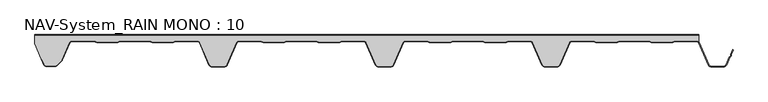
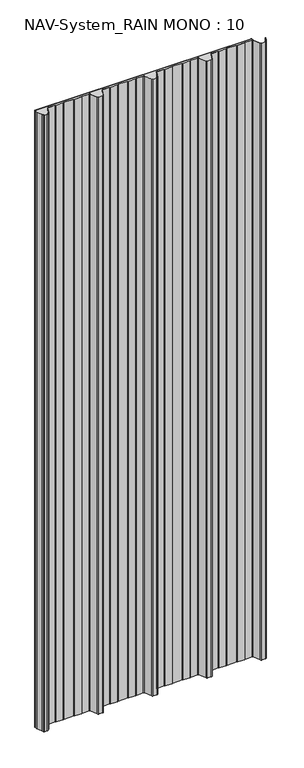
"""IFC4 building model written with IfcOpenShell, lengths in millimetres: plate geometry, NAV-System_RAIN MONO : 10."""

from ifc_helpers import new_model, si_unit, point, frame_2d, origin, origin_with_axes, place, context, project, spatial, polyline, circle_curve, trimmed, segment, composite_curve, outline, extrude, source, transform, mapped, element, save


def nav_system_rain_mono_10_762c31f2(model_context):
    return source(origin(), model_context, "Body", "SweptSolid", [
        extrude(outline(polyline([(519.0, -0.8), (-478.0, -0.8), (-478.0, 0.0), (519.0, 0.0), (519.0, -0.8)])), origin_with_axes(), (0.0, 0.0, 1.0), 3000.0),
        extrude(outline(composite_curve([segment(trimmed(circle_curve(frame_2d((515.5898022, -14.0)), 4.8), [point((519.0, -10.6220493))], [point((515.5898022, -9.2))], True, "CARTESIAN"), True, "CONTINUOUS"), segment(polyline([(515.5898022, -9.2), (483.6922468, -9.2), (479.6508228, -10.7), (448.0723788, -10.6741102), (444.1768702, -9.2), (400.3589135, -9.2), (396.3174895, -10.7), (364.7390455, -10.6741102), (360.8435369, -9.2), (328.9416341, -9.2)]), True, "CONTINUOUS"), segment(trimmed(circle_curve(frame_2d((328.9416341, -14.0)), 4.8), [point((328.9416341, -9.2))], [point((324.5314363, -12.1052295))], True, "CARTESIAN"), True, "CONTINUOUS"), segment(polyline([(324.5314363, -12.1052295), (310.330878, -45.1579242)]), True, "CONTINUOUS"), segment(trimmed(circle_curve(frame_2d((306.4719549, -43.5)), 4.2), [point((310.330878, -45.1579242))], [point((306.4719549, -47.7))], False, "CARTESIAN"), True, "CONTINUOUS"), segment(polyline([(306.4719549, -47.7), (288.0594814, -47.7)]), True, "CONTINUOUS"), segment(trimmed(circle_curve(frame_2d((288.0594814, -43.5)), 4.2), [point((288.0594814, -47.7))], [point((284.2005583, -45.1579242))], False, "CARTESIAN"), True, "CONTINUOUS"), segment(polyline([(284.2005583, -45.1579242), (270.0, -12.1052295)]), True, "CONTINUOUS"), segment(trimmed(circle_curve(frame_2d((265.5898022, -14.0)), 4.8), [point((270.0, -12.1052295))], [point((265.5898022, -9.2))], True, "CARTESIAN"), True, "CONTINUOUS"), segment(polyline([(265.5898022, -9.2), (233.6922468, -9.2), (229.6508228, -10.7), (198.0723788, -10.6741102), (194.1768702, -9.2), (150.3589135, -9.2), (146.3174895, -10.7), (114.8074622, -10.7), (110.8435369, -9.2), (78.9416341, -9.2)]), True, "CONTINUOUS"), segment(trimmed(circle_curve(frame_2d((78.9416341, -14.0)), 4.8), [point((78.9416341, -9.2))], [point((74.5314363, -12.1052295))], True, "CARTESIAN"), True, "CONTINUOUS"), segment(polyline([(74.5314363, -12.1052295), (60.330878, -45.1579242)]), True, "CONTINUOUS"), segment(trimmed(circle_curve(frame_2d((56.4719549, -43.5)), 4.2), [point((60.330878, -45.1579242))], [point((56.4719549, -47.7))], False, "CARTESIAN"), True, "CONTINUOUS"), segment(polyline([(56.4719549, -47.7), (38.0594814, -47.7)]), True, "CONTINUOUS"), segment(trimmed(circle_curve(frame_2d((38.0594814, -43.5)), 4.2), [point((38.0594814, -47.7))], [point((34.2005583, -45.1579242))], False, "CARTESIAN"), True, "CONTINUOUS"), segment(polyline([(34.2005583, -45.1579242), (20.0, -12.1052295)]), True, "CONTINUOUS"), segment(trimmed(circle_curve(frame_2d((15.5898022, -14.0)), 4.8), [point((20.0, -12.1052295))], [point((15.5898022, -9.2))], True, "CARTESIAN"), True, "CONTINUOUS"), segment(polyline([(15.5898022, -9.2), (-16.3077532, -9.2), (-20.3491772, -10.7), (-51.9276212, -10.6741102), (-55.8231298, -9.2), (-99.6410865, -9.2), (-103.6825105, -10.7), (-135.1925378, -10.7), (-139.1564631, -9.2), (-171.0583659, -9.2)]), True, "CONTINUOUS"), segment(trimmed(circle_curve(frame_2d((-171.0583659, -14.0)), 4.8), [point((-171.0583659, -9.2))], [point((-175.4685637, -12.1052295))], True, "CARTESIAN"), True, "CONTINUOUS"), segment(polyline([(-175.4685637, -12.1052295), (-189.669122, -45.1579242)]), True, "CONTINUOUS"), segment(trimmed(circle_curve(frame_2d((-193.5280451, -43.5)), 4.2), [point((-189.669122, -45.1579242))], [point((-193.5280451, -47.7))], False, "CARTESIAN"), True, "CONTINUOUS"), segment(polyline([(-193.5280451, -47.7), (-211.9405186, -47.7)]), True, "CONTINUOUS"), segment(trimmed(circle_curve(frame_2d((-211.9405186, -43.5)), 4.2), [point((-211.9405186, -47.7))], [point((-215.7994417, -45.1579242))], False, "CARTESIAN"), True, "CONTINUOUS"), segment(polyline([(-215.7994417, -45.1579242), (-230.0, -12.1052295)]), True, "CONTINUOUS"), segment(trimmed(circle_curve(frame_2d((-234.4101978, -14.0)), 4.8), [point((-230.0, -12.1052295))], [point((-234.4101978, -9.2))], True, "CARTESIAN"), True, "CONTINUOUS"), segment(polyline([(-234.4101978, -9.2), (-266.3077532, -9.2), (-270.3491772, -10.7), (-301.9276212, -10.6741102), (-305.8231298, -9.2), (-349.6410865, -9.2), (-353.6825105, -10.7), (-385.1925378, -10.7), (-389.1564631, -9.2), (-421.9290751, -9.2)]), True, "CONTINUOUS"), segment(trimmed(circle_curve(frame_2d((-421.9290751, -14.0)), 4.8), [point((-421.9290751, -9.2))], [point((-426.3392729, -12.1052295))], True, "CARTESIAN"), True, "CONTINUOUS"), segment(polyline([(-426.3392729, -12.1052295), (-437.4245651, -37.9069459)]), True, "CONTINUOUS"), segment(trimmed(circle_curve(frame_2d((-441.2834882, -36.2490217)), 4.2), [point((-437.4245651, -37.9069459))], [point((-438.3136397, -39.2188701))], False, "CARTESIAN"), True, "CONTINUOUS"), segment(polyline([(-438.3136397, -39.2188701), (-444.764618, -45.6698485)]), True, "CONTINUOUS"), segment(trimmed(circle_curve(frame_2d((-447.7344665, -42.7)), 4.2), [point((-444.764618, -45.6698485))], [point((-447.7344665, -46.9))], False, "CARTESIAN"), True, "CONTINUOUS"), segment(polyline([(-447.7344665, -46.9), (-461.1405186, -46.9)]), True, "CONTINUOUS"), segment(trimmed(circle_curve(frame_2d((-461.1405186, -43.7)), 3.2), [point((-461.1405186, -46.9))], [point((-464.1022482, -44.9116756))], False, "CARTESIAN"), True, "CONTINUOUS"), segment(polyline([(-464.1022482, -44.9116756), (-467.6292254, -36.2905951), (-468.3696578, -36.593514), (-478.0, -13.053822), (-478.0, -0.8), (519.0, -0.8), (519.0, -10.6220493)]), True, "CONTINUOUS")], self_intersect=False)), origin_with_axes(), (0.0, 0.0, 1.0), 3000.0),
        extrude(outline(composite_curve([segment(polyline([(-464.8430228, -45.2145945), (-468.37, -36.593514), (-467.6295676, -36.2905951), (-464.1025904, -44.9116756)]), True, "CONTINUOUS"), segment(trimmed(circle_curve(frame_2d((-461.1408608, -43.7)), 3.2), [point((-464.1025904, -44.9116756))], [point((-461.1408608, -46.9))], True, "CARTESIAN"), True, "CONTINUOUS"), segment(polyline([(-461.1408608, -46.9), (-447.7348087, -46.9)]), True, "CONTINUOUS"), segment(trimmed(circle_curve(frame_2d((-447.7348087, -42.7)), 4.2), [point((-447.7348087, -46.9))], [point((-444.7649603, -45.6698485))], True, "CARTESIAN"), True, "CONTINUOUS"), segment(polyline([(-444.7649603, -45.6698485), (-438.3139819, -39.2188701)]), True, "CONTINUOUS"), segment(trimmed(circle_curve(frame_2d((-441.2838304, -36.2490217)), 4.2), [point((-438.3139819, -39.2188701))], [point((-437.4249073, -37.9069459))], True, "CARTESIAN"), True, "CONTINUOUS"), segment(polyline([(-437.4249073, -37.9069459), (-426.3396151, -12.1052295)]), True, "CONTINUOUS"), segment(trimmed(circle_curve(frame_2d((-421.9294173, -14.0)), 4.8), [point((-426.3396151, -12.1052295))], [point((-421.9294173, -9.2))], False, "CARTESIAN"), True, "CONTINUOUS"), segment(polyline([(-421.9294173, -9.2), (-389.1568054, -9.2), (-385.19288, -10.7), (-353.6828527, -10.7), (-349.6414287, -9.2), (-305.8234721, -9.2), (-301.9279634, -10.6741102), (-270.3495194, -10.7), (-266.3080954, -9.2), (-234.41054, -9.2)]), True, "CONTINUOUS"), segment(trimmed(circle_curve(frame_2d((-234.41054, -14.0)), 4.8), [point((-234.41054, -9.2))], [point((-230.0003422, -12.1052295))], False, "CARTESIAN"), True, "CONTINUOUS"), segment(polyline([(-230.0003422, -12.1052295), (-215.7997839, -45.1579242)]), True, "CONTINUOUS"), segment(trimmed(circle_curve(frame_2d((-211.9408608, -43.5)), 4.2), [point((-215.7997839, -45.1579242))], [point((-211.9408608, -47.7))], True, "CARTESIAN"), True, "CONTINUOUS"), segment(polyline([(-211.9408608, -47.7), (-193.5283873, -47.7)]), True, "CONTINUOUS"), segment(trimmed(circle_curve(frame_2d((-193.5283873, -43.5)), 4.2), [point((-193.5283873, -47.7))], [point((-189.6694642, -45.1579242))], True, "CARTESIAN"), True, "CONTINUOUS"), segment(polyline([(-189.6694642, -45.1579242), (-175.4689059, -12.1052295)]), True, "CONTINUOUS"), segment(trimmed(circle_curve(frame_2d((-171.0587081, -14.0)), 4.8), [point((-175.4689059, -12.1052295))], [point((-171.0587081, -9.2))], False, "CARTESIAN"), True, "CONTINUOUS"), segment(polyline([(-171.0587081, -9.2), (-139.1568054, -9.2), (-135.2612967, -10.6741102), (-103.6828527, -10.7), (-99.6414287, -9.2), (-55.8234721, -9.2), (-51.9279634, -10.6741102), (-20.3495194, -10.7), (-16.3080954, -9.2), (15.58946, -9.2)]), True, "CONTINUOUS"), segment(trimmed(circle_curve(frame_2d((15.58946, -14.0)), 4.8), [point((15.58946, -9.2))], [point((19.9996578, -12.1052295))], False, "CARTESIAN"), True, "CONTINUOUS"), segment(polyline([(19.9996578, -12.1052295), (34.2002161, -45.1579242)]), True, "CONTINUOUS"), segment(trimmed(circle_curve(frame_2d((38.0591392, -43.5)), 4.2), [point((34.2002161, -45.1579242))], [point((38.0591392, -47.7))], True, "CARTESIAN"), True, "CONTINUOUS"), segment(polyline([(38.0591392, -47.7), (56.4716127, -47.7)]), True, "CONTINUOUS"), segment(trimmed(circle_curve(frame_2d((56.4716127, -43.5)), 4.2), [point((56.4716127, -47.7))], [point((60.3305358, -45.1579242))], True, "CARTESIAN"), True, "CONTINUOUS"), segment(polyline([(60.3305358, -45.1579242), (74.5310941, -12.1052295)]), True, "CONTINUOUS"), segment(trimmed(circle_curve(frame_2d((78.9412919, -14.0)), 4.8), [point((74.5310941, -12.1052295))], [point((78.9412919, -9.2))], False, "CARTESIAN"), True, "CONTINUOUS"), segment(polyline([(78.9412919, -9.2), (110.8431946, -9.2), (114.7387033, -10.6741102), (146.3171473, -10.7), (150.3585713, -9.2), (194.1765279, -9.2), (198.0720366, -10.6741102), (229.6504806, -10.7), (233.6919046, -9.2), (265.58946, -9.2)]), True, "CONTINUOUS"), segment(trimmed(circle_curve(frame_2d((265.58946, -14.0)), 4.8), [point((265.58946, -9.2))], [point((269.9996578, -12.1052295))], False, "CARTESIAN"), True, "CONTINUOUS"), segment(polyline([(269.9996578, -12.1052295), (284.2002161, -45.1579242)]), True, "CONTINUOUS"), segment(trimmed(circle_curve(frame_2d((288.0591392, -43.5)), 4.2), [point((284.2002161, -45.1579242))], [point((288.0591392, -47.7))], True, "CARTESIAN"), True, "CONTINUOUS"), segment(polyline([(288.0591392, -47.7), (306.4716127, -47.7)]), True, "CONTINUOUS"), segment(trimmed(circle_curve(frame_2d((306.4716127, -43.5)), 4.2), [point((306.4716127, -47.7))], [point((310.3305358, -45.1579242))], True, "CARTESIAN"), True, "CONTINUOUS"), segment(polyline([(310.3305358, -45.1579242), (324.5310941, -12.1052295)]), True, "CONTINUOUS"), segment(trimmed(circle_curve(frame_2d((328.9412919, -14.0)), 4.8), [point((324.5310941, -12.1052295))], [point((328.9412919, -9.2))], False, "CARTESIAN"), True, "CONTINUOUS"), segment(polyline([(328.9412919, -9.2), (360.8431946, -9.2), (364.7387033, -10.6741102), (396.3171473, -10.7), (400.3585713, -9.2), (444.1765279, -9.2), (448.0720366, -10.6741102), (479.6504806, -10.7), (483.6919046, -9.2), (515.58946, -9.2)]), True, "CONTINUOUS"), segment(trimmed(circle_curve(frame_2d((515.58946, -14.0)), 4.8), [point((515.58946, -9.2))], [point((519.9996578, -12.1052295))], False, "CARTESIAN"), True, "CONTINUOUS"), segment(polyline([(519.9996578, -12.1052295), (534.2002161, -45.1579242)]), True, "CONTINUOUS"), segment(trimmed(circle_curve(frame_2d((538.0591392, -43.5)), 4.2), [point((534.2002161, -45.1579242))], [point((538.0591392, -47.7))], True, "CARTESIAN"), True, "CONTINUOUS"), segment(polyline([(538.0591392, -47.7), (556.4716127, -47.7)]), True, "CONTINUOUS"), segment(trimmed(circle_curve(frame_2d((556.4716127, -43.5)), 4.2), [point((556.4716127, -47.7))], [point((560.3305358, -45.1579242))], True, "CARTESIAN"), True, "CONTINUOUS"), segment(polyline([(560.3305358, -45.1579242), (565.2356202, -33.741031), (567.1121268, -32.0654564), (567.0358547, -29.5508717), (570.0831709, -22.458051), (570.8182039, -22.7738461), (567.8408612, -29.703799), (567.9230626, -32.4138642), (565.9006789, -34.2196957), (561.0655687, -45.4737193)]), True, "CONTINUOUS"), segment(trimmed(circle_curve(frame_2d((556.4716127, -43.5)), 5.0), [point((561.0655687, -45.4737193))], [point((556.4716127, -48.5))], False, "CARTESIAN"), True, "CONTINUOUS"), segment(polyline([(556.4716127, -48.5), (538.0591392, -48.5)]), True, "CONTINUOUS"), segment(trimmed(circle_curve(frame_2d((538.0591392, -43.5)), 5.0), [point((538.0591392, -48.5))], [point((533.4651831, -45.4737193))], False, "CARTESIAN"), True, "CONTINUOUS"), segment(polyline([(533.4651831, -45.4737193), (519.2646248, -12.4210246)]), True, "CONTINUOUS"), segment(trimmed(circle_curve(frame_2d((515.58946, -14.0)), 4.0), [point((519.2646248, -12.4210246))], [point((515.58946, -10.0))], True, "CARTESIAN"), True, "CONTINUOUS"), segment(polyline([(515.58946, -10.0), (483.8338601, -10.0), (479.8699347, -11.5), (447.9941505, -11.5), (444.0302251, -10.0), (400.5005268, -10.0), (396.5366014, -11.5), (364.6608172, -11.5), (360.6968918, -10.0), (328.9412919, -10.0)]), True, "CONTINUOUS"), segment(trimmed(circle_curve(frame_2d((328.9412919, -14.0)), 4.0), [point((328.9412919, -10.0))], [point((325.2661271, -12.4210246))], True, "CARTESIAN"), True, "CONTINUOUS"), segment(polyline([(325.2661271, -12.4210246), (311.0655687, -45.4737193)]), True, "CONTINUOUS"), segment(trimmed(circle_curve(frame_2d((306.4716127, -43.5)), 5.0), [point((311.0655687, -45.4737193))], [point((306.4716127, -48.5))], False, "CARTESIAN"), True, "CONTINUOUS"), segment(polyline([(306.4716127, -48.5), (288.0591392, -48.5)]), True, "CONTINUOUS"), segment(trimmed(circle_curve(frame_2d((288.0591392, -43.5)), 5.0), [point((288.0591392, -48.5))], [point((283.4651831, -45.4737193))], False, "CARTESIAN"), True, "CONTINUOUS"), segment(polyline([(283.4651831, -45.4737193), (269.2646248, -12.4210246)]), True, "CONTINUOUS"), segment(trimmed(circle_curve(frame_2d((265.58946, -14.0)), 4.0), [point((269.2646248, -12.4210246))], [point((265.58946, -10.0))], True, "CARTESIAN"), True, "CONTINUOUS"), segment(polyline([(265.58946, -10.0), (233.8338601, -10.0), (229.8699347, -11.5), (197.9941505, -11.5), (194.0302251, -10.0), (150.5005268, -10.0), (146.5366014, -11.5), (114.6608172, -11.5), (110.6968918, -10.0), (78.9412919, -10.0)]), True, "CONTINUOUS"), segment(trimmed(circle_curve(frame_2d((78.9412919, -14.0)), 4.0), [point((78.9412919, -10.0))], [point((75.2661271, -12.4210246))], True, "CARTESIAN"), True, "CONTINUOUS"), segment(polyline([(75.2661271, -12.4210246), (61.0655687, -45.4737193)]), True, "CONTINUOUS"), segment(trimmed(circle_curve(frame_2d((56.4716127, -43.5)), 5.0), [point((61.0655687, -45.4737193))], [point((56.4716127, -48.5))], False, "CARTESIAN"), True, "CONTINUOUS"), segment(polyline([(56.4716127, -48.5), (38.0591392, -48.5)]), True, "CONTINUOUS"), segment(trimmed(circle_curve(frame_2d((38.0591392, -43.5)), 5.0), [point((38.0591392, -48.5))], [point((33.4651831, -45.4737193))], False, "CARTESIAN"), True, "CONTINUOUS"), segment(polyline([(33.4651831, -45.4737193), (19.2646248, -12.4210246)]), True, "CONTINUOUS"), segment(trimmed(circle_curve(frame_2d((15.58946, -14.0)), 4.0), [point((19.2646248, -12.4210246))], [point((15.58946, -10.0))], True, "CARTESIAN"), True, "CONTINUOUS"), segment(polyline([(15.58946, -10.0), (-16.1661399, -10.0), (-20.1300653, -11.5), (-52.0058495, -11.5), (-55.9697749, -10.0), (-99.4994732, -10.0), (-103.4633986, -11.5), (-135.3391828, -11.5), (-139.3031082, -10.0), (-171.0587081, -10.0)]), True, "CONTINUOUS"), segment(trimmed(circle_curve(frame_2d((-171.0587081, -14.0)), 4.0), [point((-171.0587081, -10.0))], [point((-174.7338729, -12.4210246))], True, "CARTESIAN"), True, "CONTINUOUS"), segment(polyline([(-174.7338729, -12.4210246), (-188.9344313, -45.4737193)]), True, "CONTINUOUS"), segment(trimmed(circle_curve(frame_2d((-193.5283873, -43.5)), 5.0), [point((-188.9344313, -45.4737193))], [point((-193.5283873, -48.5))], False, "CARTESIAN"), True, "CONTINUOUS"), segment(polyline([(-193.5283873, -48.5), (-211.9408608, -48.5)]), True, "CONTINUOUS"), segment(trimmed(circle_curve(frame_2d((-211.9408608, -43.5)), 5.0), [point((-211.9408608, -48.5))], [point((-216.5348169, -45.4737193))], False, "CARTESIAN"), True, "CONTINUOUS"), segment(polyline([(-216.5348169, -45.4737193), (-230.7353752, -12.4210246)]), True, "CONTINUOUS"), segment(trimmed(circle_curve(frame_2d((-234.41054, -14.0)), 4.0), [point((-230.7353752, -12.4210246))], [point((-234.41054, -10.0))], True, "CARTESIAN"), True, "CONTINUOUS"), segment(polyline([(-234.41054, -10.0), (-266.1661399, -10.0), (-270.1300653, -11.5), (-302.0058495, -11.5), (-305.9697749, -10.0), (-349.4994732, -10.0), (-353.4633986, -11.5), (-385.3391828, -11.5), (-389.3031082, -10.0), (-421.9294173, -10.0)]), True, "CONTINUOUS"), segment(trimmed(circle_curve(frame_2d((-421.9294173, -14.0)), 4.0), [point((-421.9294173, -10.0))], [point((-425.6045822, -12.4210246))], True, "CARTESIAN"), True, "CONTINUOUS"), segment(polyline([(-425.6045822, -12.4210246), (-436.6898744, -38.2227409)]), True, "CONTINUOUS"), segment(trimmed(circle_curve(frame_2d((-441.2838304, -36.2490217)), 5.0), [point((-436.6898744, -38.2227409))], [point((-437.7482965, -39.7845556))], False, "CARTESIAN"), True, "CONTINUOUS"), segment(polyline([(-437.7482965, -39.7845556), (-444.1992748, -46.2355339)]), True, "CONTINUOUS"), segment(trimmed(circle_curve(frame_2d((-447.7348087, -42.7)), 5.0), [point((-444.1992748, -46.2355339))], [point((-447.7348087, -47.7))], False, "CARTESIAN"), True, "CONTINUOUS"), segment(polyline([(-447.7348087, -47.7), (-461.1408608, -47.7)]), True, "CONTINUOUS"), segment(trimmed(circle_curve(frame_2d((-461.1408608, -43.7)), 4.0), [point((-461.1408608, -47.7))], [point((-464.8430228, -45.2145945))], False, "CARTESIAN"), True, "CONTINUOUS")], self_intersect=False)), origin_with_axes(), (0.0, 0.0, 1.0), 3000.0),
    ])


if __name__ == "__main__":
    model = new_model("IFC4")
    model_context = context("Model", 3, world=origin())
    ifc_project = project(units=[si_unit("LENGTHUNIT", "METRE", prefix="MILLI")], contexts=[model_context])
    site = spatial("IfcSite", under=ifc_project)
    building = spatial("IfcBuilding", under=site)
    placement = place(None, origin())
    nav_system_rain_mono_10_shape = nav_system_rain_mono_10_762c31f2(model_context)
    element("IfcPlate", 1, ObjectType="NAV-System_RAIN MONO : 10", at=placement, inside=building, context=model_context, shape_type="MappedRepresentation", body=[
        mapped(nav_system_rain_mono_10_shape, transform((0.0, 0.0, 0.0), x_axis=(1.0, 0.0, 0.0), y_axis=(0.0, 1.0, 0.0), z_axis=(0.0, 0.0, 1.0))),
    ])
    save(model, "model.ifc")
